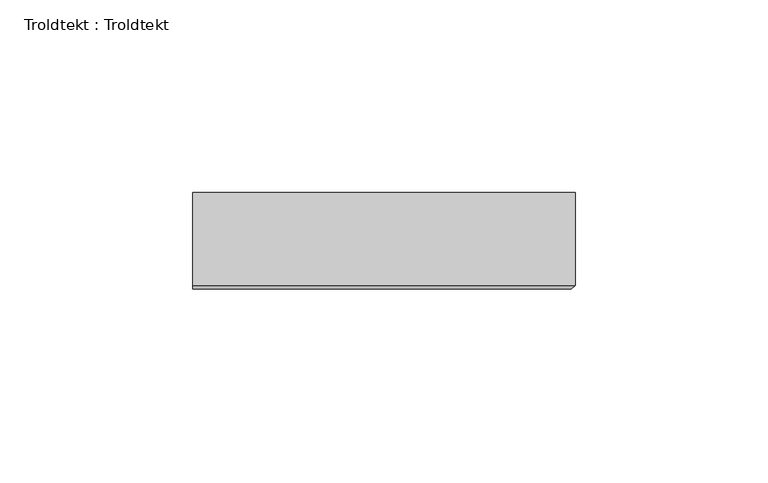
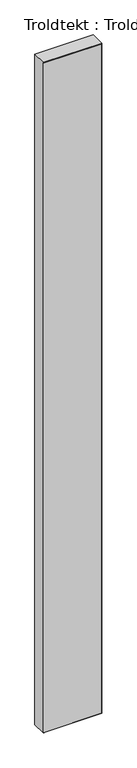
"""IFC4 building model written with IfcOpenShell, lengths in millimetres: proxy geometry, Troldtekt : Troldtekt."""

from ifc_helpers import new_model, si_unit, origin, place, context, project, spatial, faceted_brep, source, transform, mapped, element, save


def troldtekt_troldtekt_98622653(model_context):
    return source(origin(), model_context, "Body", "Brep", [
        faceted_brep([(201.0, 12.5, 1200.0), (201.0, -11.495044, 1200.0), (300.0, -11.495044, 1200.0), (300.0, 12.5, 1200.0), (300.0, 12.5, 0.0), (300.0, -11.495044, 0.0), (201.0, -11.495044, 0.0), (201.0, 12.5, 0.0), (201.0, -12.5, 1.004956), (298.995044, -12.5, 1.004956), (298.995044, -12.5, 1198.995044), (201.0, -12.5, 1198.995044)], [[[0, 1, 2, 3]], [[4, 5, 6, 7]], [[8, 9, 10, 11]], [[4, 7, 0, 3]], [[3, 2, 5, 4]], [[9, 8, 6, 5]], [[5, 2, 10, 9]], [[2, 1, 11, 10]], [[7, 6, 8, 11, 1, 0]]]),
    ])


if __name__ == "__main__":
    model = new_model("IFC4")
    model_context = context("Model", 3, world=origin())
    ifc_project = project(units=[si_unit("LENGTHUNIT", "METRE", prefix="MILLI")], contexts=[model_context])
    site = spatial("IfcSite", under=ifc_project)
    building = spatial("IfcBuilding", under=site)
    placement = place(None, origin())
    troldtekt_troldtekt_shape = troldtekt_troldtekt_98622653(model_context)
    element("IfcBuildingElementProxy", 1, Name="Troldtekt : Troldtekt", ObjectType="Troldtekt : Troldtekt", at=placement, inside=building, context=model_context, shape_type="MappedRepresentation", body=[
        mapped(troldtekt_troldtekt_shape, transform((0.0, 0.0, 0.0), x_axis=(1.0, 0.0, 0.0), y_axis=(0.0, 1.0, 0.0), z_axis=(0.0, 0.0, 1.0))),
    ])
    save(model, "model.ifc")
